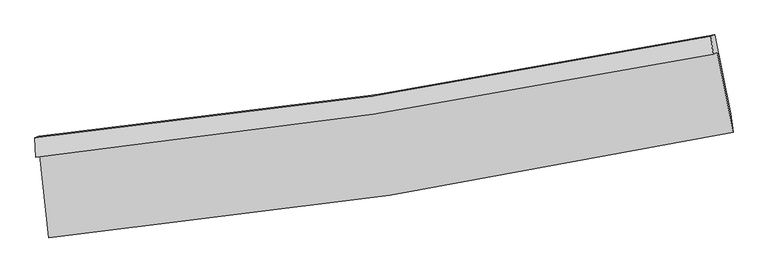
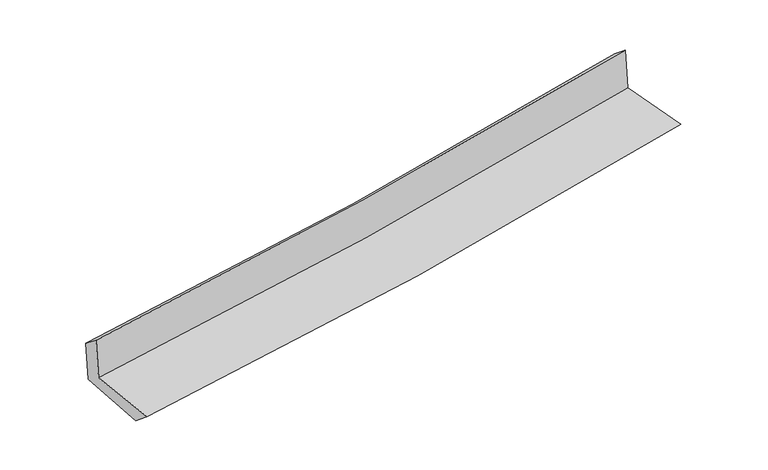
"""IFC4 building model written with IfcOpenShell, lengths in millimetres: proxy geometry."""

from ifc_helpers import new_model, si_unit, frame, origin, place, context, project, spatial, source, transform, mapped, element, save
from ifc_brep_helpers import plane_surface, spline_curve, spline_surface, advanced_brep


def generic_models_cf9307c5(model_context):
    return source(origin(), model_context, "Body", "AdvancedBrep", [
        advanced_brep(
        [(-2795.6818465, -1898.3845725, 1656.148285), (-2723.0575157, -2573.1910874, 1645.0033934), (2885.760173, -1708.8940705, 2116.0141254), (2756.3942864, -1054.1529465, 2132.2018332), (-2829.3545789, -1914.9039273, 2055.2040463), (2722.2958263, -1070.8811572, 2536.3028956), (-2835.1865774, -1754.7791167, 1929.4232181), (2704.6569732, -923.0521012, 2414.8334412), (-2802.6753831, -1743.9844175, 1550.2969034), (2736.7143443, -912.4824851, 2045.8140345), (-2728.8383372, -2400.4394894, 1503.547182), (2867.1099238, -1560.4516244, 2004.1872084)],
        [
            (0, 1),
            (1, 2, spline_curve(3, [(-2723.0575157, -2573.1910874, 1645.0033934), (-1787.899244491, -2484.534054439, 1724.771673601), (-856.657019604, -2368.980486044, 1803.59775819), (1013.077293068, -2081.763480718, 1960.632232179), (1951.440964204, -1909.218043749, 2038.809725176), (2885.760173, -1708.8940705, 2116.0141254)], [4, 2, 4], [0.0, 9.222294246993433, 18.594579106807586])),
            (2, 3),
            (3, 0, spline_curve(3, [(2756.3942864, -1054.1529465, 2132.2018332), (1830.595231825, -1240.528161001, 2050.848553964), (901.262328208, -1404.456276088, 1970.186313234), (-949.541920102, -1685.154096978, 1811.523738187), (-1870.901060571, -1802.636523948, 1733.501463061), (-2795.6818465, -1898.3845725, 1656.148285)], [4, 2, 4], [0.0, 9.372284859814153, 18.594579106807586])),
            (4, 0),
            (3, 5),
            (5, 4, spline_curve(3, [(2722.2958263, -1070.8811572, 2536.3028956), (1796.424081322, -1257.292032736, 2455.811069155), (867.091177712, -1421.220147656, 2375.148828305), (-983.568853117, -1701.847217513, 2214.777134289), (-1904.786084418, -1819.260025791, 2135.073092002), (-2829.3545789, -1914.9039273, 2055.2040463)], [4, 2, 4], [0.0, 9.32315245701748, 18.497100598186115])),
            (6, 4),
            (5, 7),
            (7, 6, spline_curve(3, [(2704.6569732, -923.0521012, 2414.8334412), (1781.332272236, -1110.643068905, 2332.12697565), (854.262459414, -1274.115227387, 2250.001246779), (-992.470968818, -1550.591765872, 2088.2162782), (-1912.015673036, -1664.361946018, 2008.538599289), (-2835.1865774, -1754.7791167, 1929.4232181)], [4, 2, 4], [0.0, 9.312546136861954, 18.476057697536596])),
            (8, 6),
            (7, 9),
            (9, 8, spline_curve(3, [(2736.7143443, -912.4824851, 2045.8140345), (1813.459807028, -1100.040633471, 1961.472031756), (886.463223926, -1263.477453931, 1877.679245812), (-960.118832747, -1539.878884972, 1712.524306969), (-1879.585492275, -1653.609375166, 1631.144715972), (-2802.6753831, -1743.9844175, 1550.2969034)], [4, 2, 4], [0.0, 9.302302320774247, 18.45573400364044])),
            (10, 8),
            (9, 11),
            (11, 10, spline_curve(3, [(2867.1099238, -1560.4516244, 2004.1872084), (1934.006648589, -1749.918043324, 1918.935017985), (997.335863613, -1915.01991804, 1834.256986344), (-868.093495861, -2194.242270886, 1667.395207625), (-1796.738798031, -2309.136351186, 1585.193230506), (-2728.8383372, -2400.4394894, 1503.547182)], [4, 2, 4], [0.0, 9.35012800739978, 18.550619992126443])),
            (1, 10),
            (11, 2),
        ],
        [
            spline_surface(3, 3, [[(-2795.6818465, -1898.3845725, 1656.148285), (-1870.901060567, -1802.636523878, 1733.501463045), (-949.541919984, -1685.154096906, 1811.523738298), (901.262328088, -1404.456276161, 1970.186313122), (1830.595231816, -1240.528161113, 2050.848553886), (2756.3942864, -1054.1529465, 2132.2018332)], [(-2771.473736254, -2123.320077477, 1652.433321152), (-1843.233788588, -2029.935700781, 1730.59153328), (-918.580286494, -1913.096226583, 1808.881744921), (938.533983079, -1630.225344375, 1967.001619517), (1870.877142611, -1463.424788674, 2046.835610971), (2799.516248591, -1272.399987838, 2126.805930589)], [(-2747.265625946, -2348.255582423, 1648.718357248), (-1815.566516547, -2257.234877654, 1727.681603458), (-887.618653046, -2141.038356272, 1806.239751492), (975.805638028, -1855.994412601, 1963.81692586), (1911.159053433, -1686.321416222, 2042.82266809), (2842.638210809, -1490.647029162, 2121.410028011)], [(-2723.0575157, -2573.1910874, 1645.0033934), (-1787.899244568, -2484.534054557, 1724.771673692), (-856.657019556, -2368.980485949, 1803.597758114), (1013.077293019, -2081.763480815, 1960.632232255), (1951.440964227, -1909.218043783, 2038.809725175), (2885.760173, -1708.8940705, 2116.0141254)]], [4, 4], [4, 2, 4], [0.0, 2.2580226297298966], [0.0, 9.222294246993433, 18.594579106807586]),
            spline_surface(3, 3, [[(-2829.3545789, -1914.9039273, 2055.2040463), (-1904.786084449, -1819.260025804, 2135.073092012), (-983.56885313, -1701.847217518, 2214.777134314), (867.091177725, -1421.220147651, 2375.14882828), (1796.424081453, -1257.292032603, 2455.811069044), (2722.2958263, -1070.8811572, 2536.3028956)], [(-2818.13033476, -1909.397475687, 1922.185459193), (-1893.491076482, -1813.718858482, 2001.215882349), (-972.22654209, -1696.282843994, 2080.359335643), (878.48156117, -1415.6321905, 2240.161323228), (1807.814464898, -1251.704075452, 2320.823563992), (2733.661979658, -1065.30508698, 2401.602541468)], [(-2806.90609064, -1903.891024113, 1789.166872107), (-1882.196068534, -1808.1776912, 1867.358672708), (-960.884231024, -1690.718470431, 1945.941536969), (889.871944643, -1410.044233311, 2105.173818174), (1819.204848371, -1246.116118263, 2185.836058937), (2745.028133042, -1059.72901672, 2266.902187332)], [(-2795.6818465, -1898.3845725, 1656.148285), (-1870.901060567, -1802.636523878, 1733.501463045), (-949.541919984, -1685.154096906, 1811.523738298), (901.262328088, -1404.456276161, 1970.186313122), (1830.595231816, -1240.528161113, 2050.848553886), (2756.3942864, -1054.1529465, 2132.2018332)]], [4, 4], [4, 2, 4], [0.0, 1.3317014935574862], [0.0, 9.173948141168635, 18.497100598186115]),
            spline_surface(3, 3, [[(-2835.1865774, -1754.7791167, 1929.4232181), (-1912.015673024, -1664.361945952, 2008.53859943), (-992.47096894, -1550.591765907, 2088.216278161), (854.262459537, -1274.115227351, 2250.001246819), (1781.332272327, -1110.64306891, 2332.126975767), (2704.6569732, -923.0521012, 2414.8334412)], [(-2833.242577901, -1808.15405358, 1971.350160833), (-1909.605810166, -1715.994639249, 2050.716763624), (-989.503596987, -1601.010249778, 2130.403230193), (858.538698949, -1323.150200785, 2291.717107287), (1786.362875382, -1159.526056812, 2373.355006866), (2710.536590913, -972.328453204, 2455.32325934)], [(-2831.298578399, -1861.52899042, 2013.277103567), (-1907.195947307, -1767.627332507, 2092.894927818), (-986.536225082, -1651.428733648, 2172.590182282), (862.814938314, -1372.185174217, 2333.432967812), (1791.393478398, -1208.409044702, 2414.583037945), (2716.416208587, -1021.604805196, 2495.81307746)], [(-2829.3545789, -1914.9039273, 2055.2040463), (-1904.786084449, -1819.260025804, 2135.073092012), (-983.56885313, -1701.847217518, 2214.777134314), (867.091177725, -1421.220147651, 2375.14882828), (1796.424081453, -1257.292032603, 2455.811069044), (2722.2958263, -1070.8811572, 2536.3028956)]], [4, 4], [4, 2, 4], [0.0, 0.6412339274758007], [0.0, 9.163511560674642, 18.476057697536596]),
            spline_surface(3, 3, [[(-2802.6753831, -1743.9844175, 1550.2969034), (-1879.58549233, -1653.609375242, 1631.144715959), (-960.118832754, -1539.878884895, 1712.524307012), (886.463223932, -1263.47745401, 1877.679245768), (1813.459806883, -1100.040633577, 1961.472031773), (2736.7143443, -912.4824851, 2045.8140345)], [(-2813.512447882, -1747.582650557, 1676.672341627), (-1890.395552577, -1657.193565469, 1756.942677109), (-970.902878169, -1543.449845222, 1837.754964065), (875.729635781, -1267.023378446, 2001.786579456), (1802.750628709, -1103.574778682, 2085.023679786), (2726.028553944, -916.00569046, 2168.820503415)], [(-2824.349512618, -1751.180883643, 1803.047779873), (-1901.205612778, -1660.777755725, 1882.74063828), (-981.686923525, -1547.02080558, 1962.985621107), (864.996047689, -1270.569302915, 2125.893913131), (1792.041450501, -1107.108923806, 2208.575327754), (2715.342763556, -919.52889584, 2291.826972285)], [(-2835.1865774, -1754.7791167, 1929.4232181), (-1912.015673024, -1664.361945952, 2008.53859943), (-992.47096894, -1550.591765907, 2088.216278161), (854.262459537, -1274.115227351, 2250.001246819), (1781.332272327, -1110.64306891, 2332.126975767), (2704.6569732, -923.0521012, 2414.8334412)]], [4, 4], [4, 2, 4], [0.0, 1.232026532630253], [0.0, 9.153431682866193, 18.45573400364044]),
            spline_surface(3, 3, [[(-2728.8383372, -2400.4394894, 1503.547182), (-1796.738798067, -2309.136351045, 1585.193230573), (-868.093495894, -2194.242270805, 1667.395207687), (997.335863647, -1915.019918122, 1834.256986282), (1934.006648457, -1749.918043362, 1918.935017981), (2867.1099238, -1560.4516244, 2004.1872084)], [(-2753.45068582, -2181.621132117, 1519.130422453), (-1824.354362808, -2090.627359127, 1600.510392355), (-898.768608169, -1976.121142171, 1682.438240812), (960.378317087, -1697.839096755, 1848.731072794), (1893.824367907, -1533.292240106, 1933.114022559), (2823.644730608, -1344.461911306, 2018.062817081)], [(-2778.06303448, -1962.802774783, 1534.713662947), (-1851.969927589, -1872.11836716, 1615.827554177), (-929.443720479, -1758.000013528, 1697.481273886), (923.420770492, -1480.658275377, 1863.205159256), (1853.642087433, -1316.666436833, 1947.293027194), (2780.179537492, -1128.472198194, 2031.938425819)], [(-2802.6753831, -1743.9844175, 1550.2969034), (-1879.58549233, -1653.609375242, 1631.144715959), (-960.118832754, -1539.878884895, 1712.524307012), (886.463223932, -1263.47745401, 1877.679245768), (1813.459806883, -1100.040633577, 1961.472031773), (2736.7143443, -912.4824851, 2045.8140345)]], [4, 4], [4, 2, 4], [0.0, 2.1727970901095746], [0.0, 9.200491984726662, 18.550619992126443]),
            spline_surface(3, 3, [[(-2723.0575157, -2573.1910874, 1645.0033934), (-1787.899244568, -2484.534054557, 1724.771673692), (-856.657019556, -2368.980485949, 1803.597758114), (1013.077293019, -2081.763480815, 1960.632232255), (1951.440964227, -1909.218043783, 2038.809725175), (2885.760173, -1708.8940705, 2116.0141254)], [(-2724.984456183, -2515.607221383, 1597.851322943), (-1790.845762384, -2426.068153369, 1678.245525995), (-860.469178348, -2310.734414232, 1758.196907952), (1007.830149882, -2026.182293249, 1918.507150244), (1945.629525657, -1856.118043622, 1998.851489451), (2879.543423286, -1659.413255113, 2078.738486407)], [(-2726.911396717, -2458.023355417, 1550.699252457), (-1793.792280251, -2367.602252233, 1631.71937827), (-864.281337102, -2252.488342521, 1712.796057849), (1002.583006783, -1970.601105688, 1876.382068293), (1939.818087028, -1803.018043523, 1958.893253705), (2873.326673514, -1609.932439787, 2041.462847393)], [(-2728.8383372, -2400.4394894, 1503.547182), (-1796.738798067, -2309.136351045, 1585.193230573), (-868.093495894, -2194.242270805, 1667.395207687), (997.335863647, -1915.019918122, 1834.256986282), (1934.006648457, -1749.918043362, 1918.935017981), (2867.1099238, -1560.4516244, 2004.1872084)]], [4, 4], [4, 2, 4], [0.0, 0.70771679114372], [0.0, 9.258900356876035, 18.668386685244638]),
            plane_surface(frame((2778.8219212, -1204.9857308, 2208.2255897), z_axis=(0.9774415219563841, 0.1908915518205479, 0.09037968023361594), x_axis=(-0.08651060820480916, -0.02852335937638344, 0.9958425240156797))),
            plane_surface(frame((-2785.7990398, -2047.6137685, 1723.2705047), z_axis=(-0.9905602471352044, -0.10515417382764854, -0.08793745801458971), x_axis=(-0.10699011594383612, 0.9941245108768925, 0.016418646841441654))),
        ],
        [
            (0, [[1, 2, 3, 4]]),
            (1, [[5, -4, 6, 7]]),
            (2, [[8, -7, 9, 10]]),
            (3, [[11, -10, 12, 13]]),
            (4, [[14, -13, 15, 16]]),
            (5, [[17, -16, 18, -2]]),
            (6, [[-12, -9, -6, -3, -18, -15]]),
            (7, [[-1, -5, -8, -11, -14, -17]]),
        ],
    ),
    ])


if __name__ == "__main__":
    model = new_model("IFC4")
    model_context = context("Model", 3, world=origin())
    ifc_project = project(units=[si_unit("LENGTHUNIT", "METRE", prefix="MILLI")], contexts=[model_context])
    site = spatial("IfcSite", under=ifc_project)
    building = spatial("IfcBuilding", under=site)
    placement = place(None, origin())
    generic_models_shape = generic_models_cf9307c5(model_context)
    element("IfcBuildingElementProxy", 1, Name="Generic Models", at=placement, inside=building, context=model_context, shape_type="MappedRepresentation", body=[
        mapped(generic_models_shape, transform((0.0, 0.0, 0.0), x_axis=(1.0, 0.0, 0.0), y_axis=(0.0, 1.0, 0.0), z_axis=(0.0, 0.0, 1.0))),
    ])
    save(model, "model.ifc")
